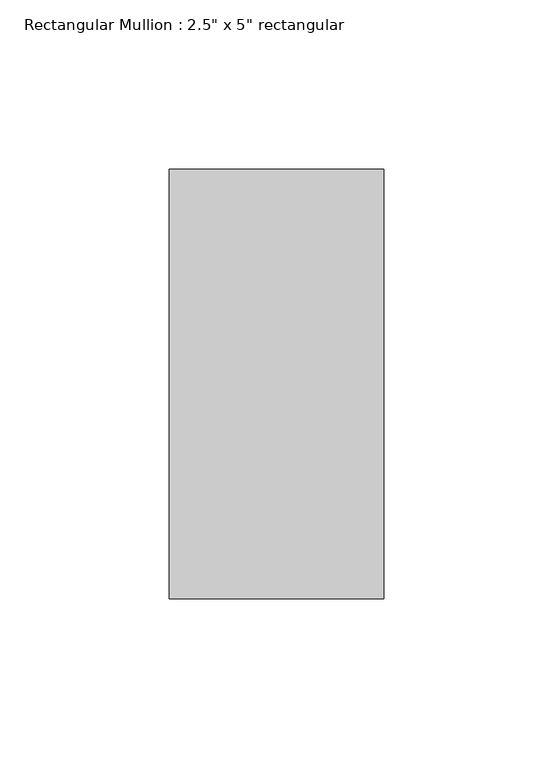
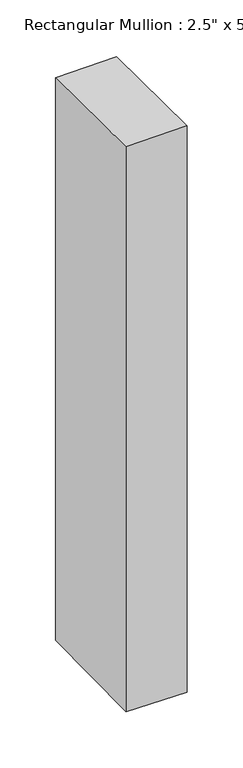
"""IFC4 building model written with IfcOpenShell, lengths in millimetres: member geometry."""

from ifc_helpers import new_model, si_unit, origin, place, context, project, spatial, faceted_brep, source, transform, mapped, element, save


def member_7c246d86(model_context):
    return source(origin(), model_context, "Body", "Brep", [
        faceted_brep([(-63.5, 63.5, -1.3274693), (0.0, 63.5, -0.7409848), (0.0, 63.5, -619.0973948), (-63.5, 63.5, -618.4206573), (-63.5, -63.5, 0.1545004), (-63.5, -63.5, -619.913476), (0.0, -63.5, 0.7409848), (0.0, -63.5, -620.5902135)], [[[0, 1, 2, 3]], [[4, 0, 3, 5]], [[6, 4, 5, 7]], [[1, 6, 7, 2]], [[1, 0, 4, 6]], [[2, 7, 5, 3]]]),
    ])


if __name__ == "__main__":
    model = new_model("IFC4")
    model_context = context("Model", 3, world=origin())
    ifc_project = project(units=[si_unit("LENGTHUNIT", "METRE", prefix="MILLI")], contexts=[model_context])
    site = spatial("IfcSite", under=ifc_project)
    building = spatial("IfcBuilding", under=site)
    placement = place(None, origin())
    member_shape = member_7c246d86(model_context)
    element("IfcMember", 1, ObjectType="Rectangular Mullion : 2.5\" x 5\" rectangular", at=placement, inside=building, context=model_context, shape_type="MappedRepresentation", body=[
        mapped(member_shape, transform((0.0, 0.0, 0.0), x_axis=(1.0, 0.0, 0.0), y_axis=(0.0, 1.0, 0.0), z_axis=(0.0, 0.0, 1.0))),
    ])
    save(model, "model.ifc")
